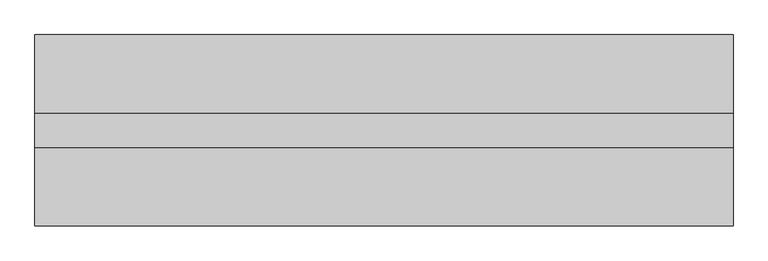
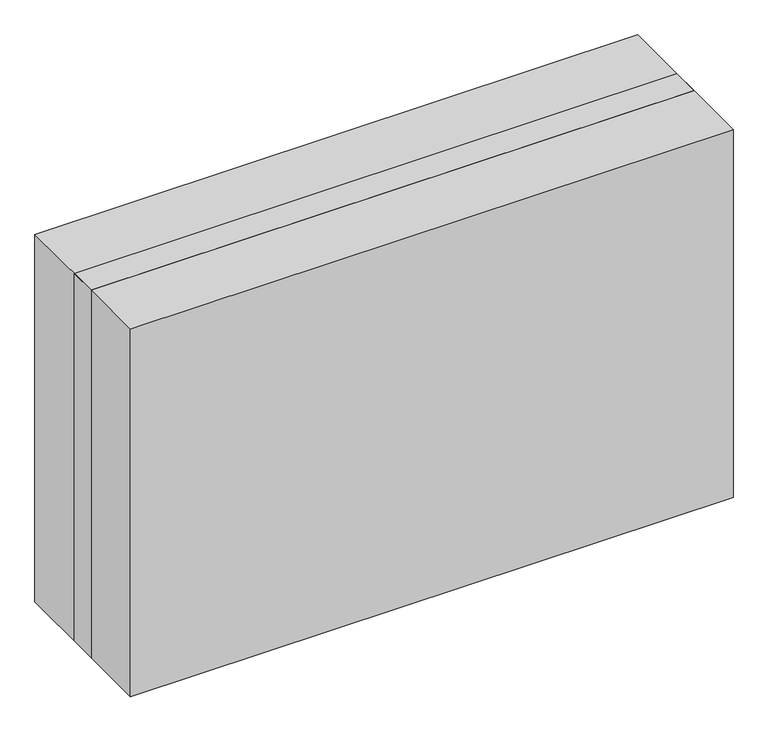
"""IFC4 building model written with IfcOpenShell, lengths in millimetres: proxy geometry."""

from ifc_helpers import new_model, si_unit, frame, origin, origin_with_axes, place, context, project, spatial, polyline, outline, extrude, source, transform, mapped, element, save


def specialty_equipment_965a27df(model_context):
    return source(origin(), model_context, "Body", "SweptSolid", [
        extrude(outline(polyline([(1016.0, 787.4), (1016.0, -787.4), (0.0, -787.4), (0.0, 787.4), (1016.0, 787.4)]), holes=[polyline([(990.6, 762.0), (25.4, 762.0), (25.4, -762.0), (990.6, -762.0), (990.6, 762.0)])]), frame((0.0, -38.1, 0.0), z_axis=(0.0, 1.0, 0.0), x_axis=(0.0, 0.0, 1.0)), (0.0, 0.0, 1.0), 76.2),
        extrude(outline(polyline([(762.0, -12.7), (-762.0, -12.7), (-762.0, 38.1), (762.0, 38.1), (762.0, -12.7)])), frame((0.0, 0.0, 25.4), z_axis=(0.0, 0.0, 1.0), x_axis=(1.0, 0.0, 0.0)), (0.0, 0.0, 1.0), 965.2),
        extrude(outline(polyline([(-787.4, 215.9), (787.4, 215.9), (787.4, -215.9), (-787.4, -215.9), (-787.4, 0.0), (-787.4, 215.9)])), origin_with_axes(), (0.0, 0.0, 1.0), 1016.0),
    ])


if __name__ == "__main__":
    model = new_model("IFC4")
    model_context = context("Model", 3, world=origin())
    ifc_project = project(units=[si_unit("LENGTHUNIT", "METRE", prefix="MILLI")], contexts=[model_context])
    site = spatial("IfcSite", under=ifc_project)
    building = spatial("IfcBuilding", under=site)
    placement = place(None, origin())
    specialty_equipment_shape = specialty_equipment_965a27df(model_context)
    element("IfcBuildingElementProxy", 1, Name="Specialty Equipment", at=placement, inside=building, context=model_context, shape_type="MappedRepresentation", body=[
        mapped(specialty_equipment_shape, transform((0.0, 0.0, 0.0), x_axis=(1.0, 0.0, 0.0), y_axis=(0.0, 1.0, 0.0), z_axis=(0.0, 0.0, 1.0))),
    ])
    save(model, "model.ifc")
